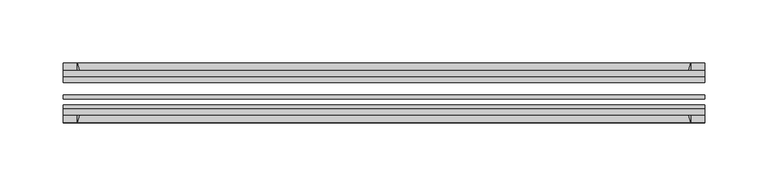
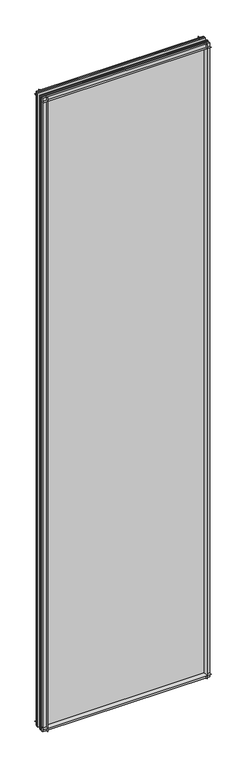
"""IFC4 building model written with IfcOpenShell, lengths in millimetres: plate geometry."""

from ifc_helpers import new_model, si_unit, point, frame, frame_2d, origin, place, context, project, spatial, polyline, circle_curve, trimmed, segment, composite_curve, outline, extrude, source, transform, mapped, element, save


def plate_5058dd14(model_context):
    return source(origin(), model_context, "Body", "SweptSolid", [
        extrude(outline(composite_curve([segment(polyline([(-74.653775, 0.0), (-80.586498, 0.0)]), True, "CONTINUOUS"), segment(trimmed(circle_curve(frame_2d((-86.2543953, 32.273404)), 32.7673262), [point((-80.586498, 0.0))], [point((-69.878575, 3.8915405))], True, "CARTESIAN"), True, "CONTINUOUS"), segment(polyline([(-69.878575, 3.8915405), (-69.878575, -10.31875), (-74.653775, -10.31875), (-74.653775, 0.0)]), True, "CONTINUOUS")], self_intersect=False)), frame((-253.3656495, 0.0, 0.0), z_axis=(1.0, 0.0, 0.0), x_axis=(0.0, 1.0, 0.0)), (0.0, 0.0, 1.0), 506.7312991),
        extrude(outline(composite_curve([segment(polyline([(-44.478575, -10.31875), (-44.478575, 3.8915405)]), True, "CONTINUOUS"), segment(trimmed(circle_curve(frame_2d((-28.1027547, 32.273404)), 32.7673262), [point((-44.478575, 3.8915405))], [point((-33.770652, 0.0))], True, "CARTESIAN"), True, "CONTINUOUS"), segment(polyline([(-33.770652, 0.0), (-39.703375, 0.0), (-39.703375, -10.31875), (-44.478575, -10.31875)]), True, "CONTINUOUS")], self_intersect=False)), frame((-253.3656495, 0.0, 0.0), z_axis=(1.0, 0.0, 0.0), x_axis=(0.0, 1.0, 0.0)), (0.0, 0.0, 1.0), 506.7312991),
        extrude(outline(composite_curve([segment(trimmed(circle_curve(frame_2d((-86.2543953, 1977.495246)), 32.7673262), [point((-69.878575, 2005.8771095))], [point((-80.622775, 2009.775))], True, "CARTESIAN"), True, "CONTINUOUS"), segment(polyline([(-80.622775, 2009.775), (-74.653775, 2009.775), (-74.653775, 2020.8875), (-69.878575, 2020.8875), (-69.878575, 2005.8771095)]), True, "CONTINUOUS")], self_intersect=False)), frame((-253.3656495, 0.0, 0.0), z_axis=(1.0, 0.0, 0.0), x_axis=(0.0, 1.0, 0.0)), (0.0, 0.0, 1.0), 506.7312991),
        extrude(outline(composite_curve([segment(polyline([(-44.478575, 2005.8771095), (-44.478575, 2020.8875), (-39.703375, 2020.8875), (-39.703375, 2009.775), (-33.734375, 2009.775)]), True, "CONTINUOUS"), segment(trimmed(circle_curve(frame_2d((-28.1027547, 1977.495246)), 32.7673262), [point((-33.734375, 2009.775))], [point((-44.478575, 2005.8771095))], True, "CARTESIAN"), True, "CONTINUOUS")], self_intersect=False)), frame((-253.3656495, 0.0, 0.0), z_axis=(1.0, 0.0, 0.0), x_axis=(0.0, 1.0, 0.0)), (0.0, 0.0, 1.0), 506.7312991),
        extrude(outline(composite_curve([segment(polyline([(238.355259, -69.878575), (253.3656495, -69.878575), (253.3656495, -74.653775), (242.2531495, -74.653775), (242.2531495, -80.622775)]), True, "CONTINUOUS"), segment(trimmed(circle_curve(frame_2d((209.9733956, -86.2543953)), 32.7673262), [point((242.2531495, -80.622775))], [point((238.355259, -69.878575))], True, "CARTESIAN"), True, "CONTINUOUS")], self_intersect=False)), frame((0.0, 0.0, -10.31875), z_axis=(0.0, 0.0, 1.0), x_axis=(1.0, 0.0, 0.0)), (0.0, 0.0, 1.0), 2031.20625),
        extrude(outline(composite_curve([segment(trimmed(circle_curve(frame_2d((209.9733956, -28.1027547)), 32.7673262), [point((238.355259, -44.478575))], [point((242.2531495, -33.734375))], True, "CARTESIAN"), True, "CONTINUOUS"), segment(polyline([(242.2531495, -33.734375), (242.2531495, -39.703375), (253.3656495, -39.703375), (253.3656495, -44.478575), (238.355259, -44.478575)]), True, "CONTINUOUS")], self_intersect=False)), frame((0.0, 0.0, -10.31875), z_axis=(0.0, 0.0, 1.0), x_axis=(1.0, 0.0, 0.0)), (0.0, 0.0, 1.0), 2031.20625),
        extrude(outline(composite_curve([segment(trimmed(circle_curve(frame_2d((-209.9733956, -86.2543953)), 32.7673262), [point((-238.355259, -69.878575))], [point((-242.2531495, -80.622775))], True, "CARTESIAN"), True, "CONTINUOUS"), segment(polyline([(-242.2531495, -80.622775), (-242.2531495, -74.653775), (-253.3656495, -74.653775), (-253.3656495, -69.878575), (-238.355259, -69.878575)]), True, "CONTINUOUS")], self_intersect=False)), frame((0.0, 0.0, -10.31875), z_axis=(0.0, 0.0, 1.0), x_axis=(1.0, 0.0, 0.0)), (0.0, 0.0, 1.0), 2031.20625),
        extrude(outline(composite_curve([segment(polyline([(-238.355259, -44.478575), (-253.3656495, -44.478575), (-253.3656495, -39.703375), (-242.2531495, -39.703375), (-242.2531495, -33.734375)]), True, "CONTINUOUS"), segment(trimmed(circle_curve(frame_2d((-209.9733956, -28.1027547)), 32.7673262), [point((-242.2531495, -33.734375))], [point((-238.355259, -44.478575))], True, "CARTESIAN"), True, "CONTINUOUS")], self_intersect=False)), frame((0.0, 0.0, -10.31875), z_axis=(0.0, 0.0, 1.0), x_axis=(1.0, 0.0, 0.0)), (0.0, 0.0, 1.0), 2031.20625),
        extrude(outline(polyline([(-253.3656495, -44.478575), (253.3656495, -44.478575), (253.3656495, -49.241075), (-253.3656495, -49.241075), (-253.3656495, -44.478575)])), frame((0.0, 0.0, -10.31875), z_axis=(0.0, 0.0, 1.0), x_axis=(1.0, 0.0, 0.0)), (0.0, 0.0, 1.0), 2031.20625),
        extrude(outline(polyline([(253.3656495, -58.956575), (253.3656495, -62.131575), (-253.3656495, -62.131575), (-253.3656495, -58.956575), (253.3656495, -58.956575)])), frame((0.0, 0.0, -10.31875), z_axis=(0.0, 0.0, 1.0), x_axis=(1.0, 0.0, 0.0)), (0.0, 0.0, 1.0), 2031.20625),
        extrude(outline(polyline([(-253.3656495, -66.703575), (253.3656495, -66.703575), (253.3656495, -69.878575), (-253.3656495, -69.878575), (-253.3656495, -66.703575)])), frame((0.0, 0.0, -10.31875), z_axis=(0.0, 0.0, 1.0), x_axis=(1.0, 0.0, 0.0)), (0.0, 0.0, 1.0), 2031.20625),
    ])


if __name__ == "__main__":
    model = new_model("IFC4")
    model_context = context("Model", 3, world=origin())
    ifc_project = project(units=[si_unit("LENGTHUNIT", "METRE", prefix="MILLI")], contexts=[model_context])
    site = spatial("IfcSite", under=ifc_project)
    building = spatial("IfcBuilding", under=site)
    placement = place(None, origin())
    plate_shape = plate_5058dd14(model_context)
    element("IfcPlate", 1, at=placement, inside=building, context=model_context, shape_type="MappedRepresentation", body=[
        mapped(plate_shape, transform((0.0, 0.0, 0.0), x_axis=(1.0, 0.0, 0.0), y_axis=(0.0, 1.0, 0.0), z_axis=(0.0, 0.0, 1.0))),
    ])
    save(model, "model.ifc")
